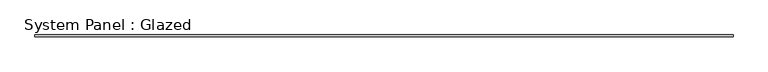
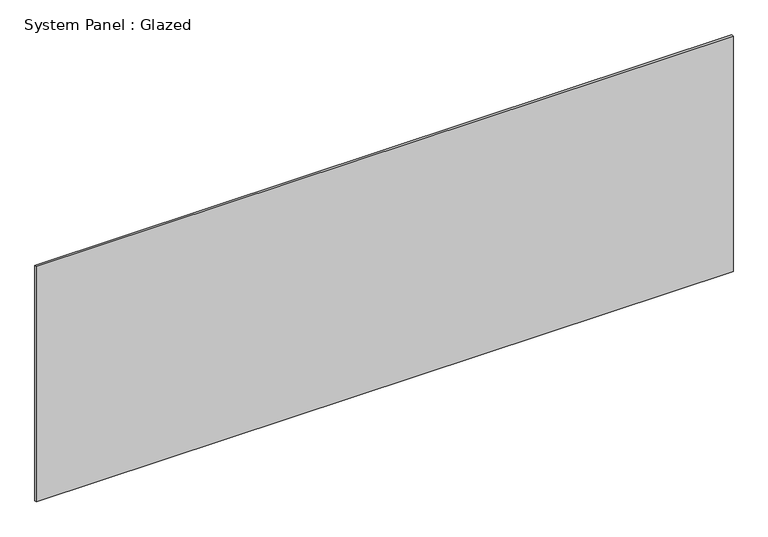
"""IFC4 building model written with IfcOpenShell, lengths in millimetres: plate geometry, System Panel : Glazed."""

from ifc_helpers import new_model, si_unit, origin, origin_with_axes, place, context, project, spatial, polyline, outline, extrude, source, transform, mapped, element, save


def system_panel_glazed_630fe03c(model_context):
    return source(origin(), model_context, "Body", "SweptSolid", [
        extrude(outline(polyline([(4267.2, 19.05), (-4267.2, 19.05), (-4267.2, 44.45), (4267.2, 44.45), (4267.2, 19.05)])), origin_with_axes(), (0.0, 0.0, 1.0), 3048.0),
    ])


if __name__ == "__main__":
    model = new_model("IFC4")
    model_context = context("Model", 3, world=origin())
    ifc_project = project(units=[si_unit("LENGTHUNIT", "METRE", prefix="MILLI")], contexts=[model_context])
    site = spatial("IfcSite", under=ifc_project)
    building = spatial("IfcBuilding", under=site)
    placement = place(None, origin())
    system_panel_glazed_shape = system_panel_glazed_630fe03c(model_context)
    element("IfcPlate", 1, ObjectType="System Panel : Glazed", at=placement, inside=building, context=model_context, shape_type="MappedRepresentation", body=[
        mapped(system_panel_glazed_shape, transform((0.0, 0.0, 0.0), x_axis=(1.0, 0.0, 0.0), y_axis=(0.0, 1.0, 0.0), z_axis=(0.0, 0.0, 1.0))),
    ])
    save(model, "model.ifc")
